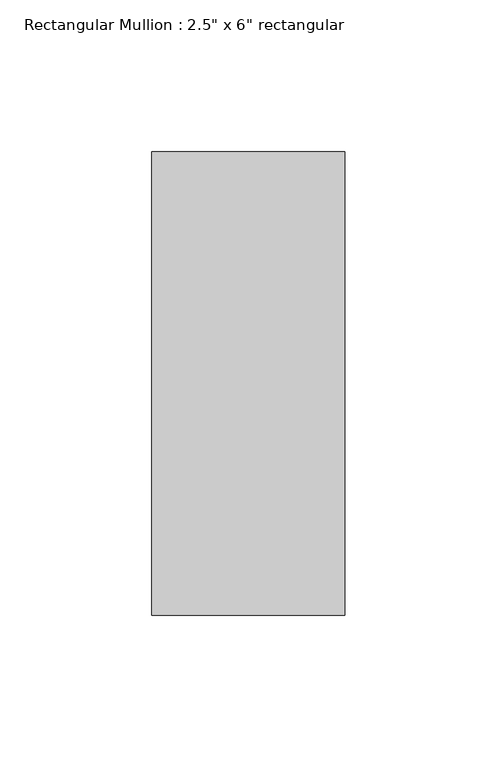
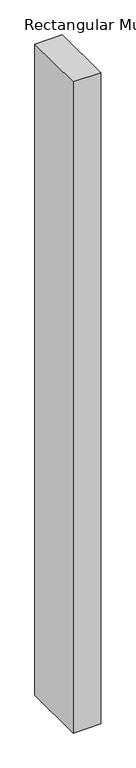
"""IFC4 building model written with IfcOpenShell, lengths in millimetres: member geometry."""

from ifc_helpers import new_model, si_unit, frame, origin, place, context, project, spatial, polyline, outline, extrude, source, transform, mapped, element, save


def member_60e5a5d2(model_context):
    return source(origin(), model_context, "Body", "SweptSolid", [
        extrude(outline(polyline([(0.0, 60.325), (0.0, -92.075), (-63.5, -92.075), (-63.5, 60.325), (0.0, 60.325)])), frame((0.0, 0.0, -1587.5), z_axis=(0.0, 0.0, 1.0), x_axis=(1.0, 0.0, 0.0)), (0.0, 0.0, 1.0), 1587.5),
    ])


if __name__ == "__main__":
    model = new_model("IFC4")
    model_context = context("Model", 3, world=origin())
    ifc_project = project(units=[si_unit("LENGTHUNIT", "METRE", prefix="MILLI")], contexts=[model_context])
    site = spatial("IfcSite", under=ifc_project)
    building = spatial("IfcBuilding", under=site)
    placement = place(None, origin())
    member_shape = member_60e5a5d2(model_context)
    element("IfcMember", 1, ObjectType="Rectangular Mullion : 2.5\" x 6\" rectangular", at=placement, inside=building, context=model_context, shape_type="MappedRepresentation", body=[
        mapped(member_shape, transform((0.0, 0.0, 0.0), x_axis=(1.0, 0.0, 0.0), y_axis=(0.0, 1.0, 0.0), z_axis=(0.0, 0.0, 1.0))),
    ])
    save(model, "model.ifc")
